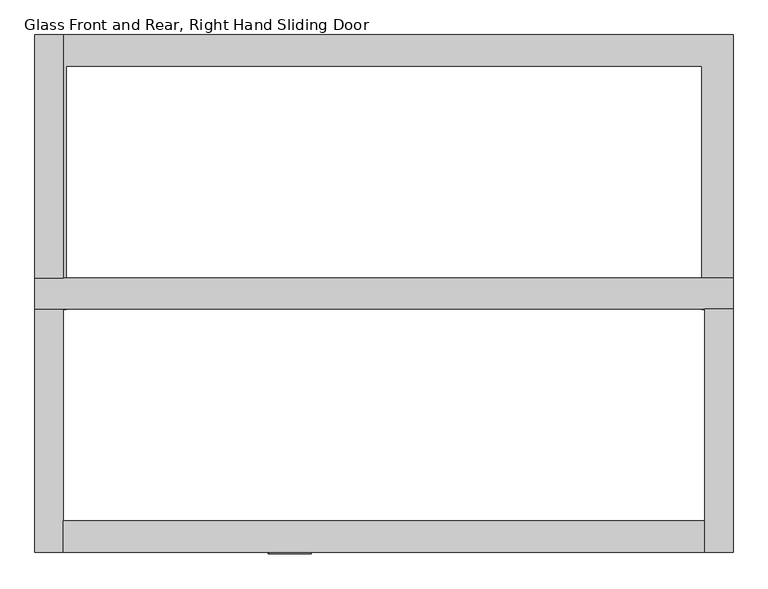
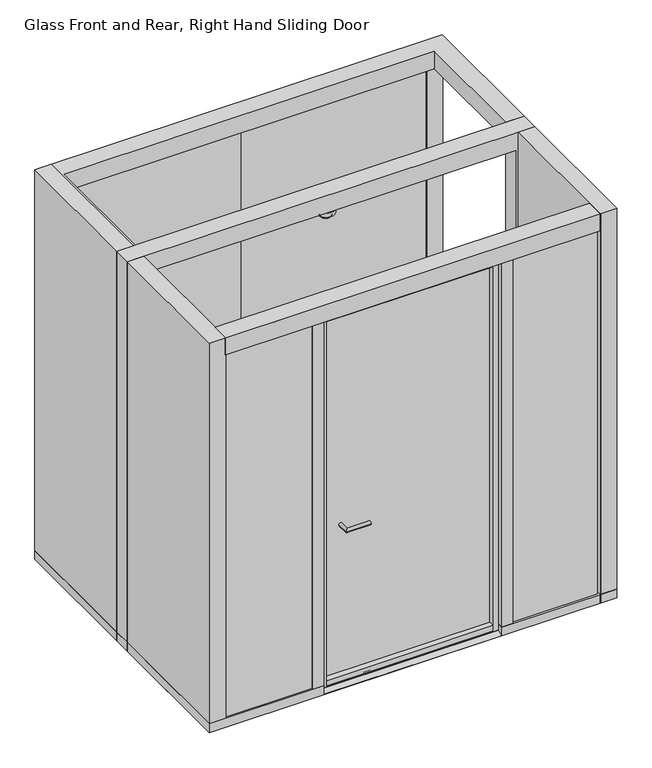
"""IFC4 building model written with IfcOpenShell, lengths in millimetres: furniture geometry, Glass Front and Rear, Right Hand Sliding Door."""

from ifc_helpers import new_model, si_unit, point, frame, frame_2d, origin, origin_with_axes, place, context, project, spatial, polyline, circle_curve, ellipse_curve, trimmed, segment, composite_curve, outline, extrude, source, transform, mapped, element, save
from ifc_brep_helpers import plane_surface, cylinder_surface, revolved_surface, advanced_brep


def glass_front_and_rear_right_hand_sliding_door_21750088(model_context):
    return source(origin(), model_context, "Body", "SolidModel", [
        advanced_brep(
        [(665.5023066, 77.3380769, 932.3309534), (665.5023066, 81.2712166, 932.3309534), (665.5023066, 81.2712166, 867.3764818), (665.5023066, 77.3380769, 867.3764818), (668.9795423, 85.464329, 928.8537177), (668.9795423, 85.464329, 870.8537175), (807.4221683, 81.2712166, 867.3764818), (807.4221683, 77.3380769, 867.3764818), (803.9449326, 85.464329, 870.8537175), (807.4221683, 81.2712166, 932.3309534), (807.4221683, 77.3380769, 932.3309534), (803.9449326, 85.464329, 928.8537177)],
        [
            (0, 1),
            (1, 2),
            (2, 3),
            (3, 0),
            (1, 4, ellipse_curve(frame((669.7691096, 81.2712166, 928.0641504), z_axis=(-0.7071067811865475, 0.0, -0.7071067811865475), x_axis=(-0.7071067811865474, 0.0, 0.7071067811865476)), 6.0341707, 4.266803)),
            (4, 5),
            (5, 2, ellipse_curve(frame((669.7691096, 81.2712166, 871.6432849), z_axis=(-0.7071067811865475, 0.0, 0.7071067811865475), x_axis=(0.7071067811865474, 0.0, 0.7071067811865476)), 6.0341707, 4.266803)),
            (2, 6),
            (6, 7),
            (7, 3),
            (5, 8),
            (8, 6, ellipse_curve(frame((803.1553652, 81.2712166, 871.6432849), z_axis=(-0.7071067811865475, 0.0, -0.7071067811865475), x_axis=(-0.7071067811865476, 0.0, 0.7071067811865474)), 6.0341707, 4.266803)),
            (6, 9),
            (9, 10),
            (10, 7),
            (8, 11),
            (11, 9, ellipse_curve(frame((803.1553652, 81.2712166, 928.0641504), z_axis=(0.7071067811865475, 0.0, -0.7071067811865475), x_axis=(-0.7071067811865474, 0.0, -0.7071067811865476)), 6.0341707, 4.266803)),
            (10, 0),
            (9, 1),
            (11, 4),
        ],
        [
            plane_surface(frame((665.5023066, 81.2712166, 932.3309534), z_axis=(-1.0, 0.0, 0.0), x_axis=(0.0, 0.0, -1.0))),
            cylinder_surface(frame((669.7691096, 81.2712166, 928.8537177), z_axis=(0.0, 0.0, 1.0), x_axis=(-1.0, 0.0, 0.0)), 4.266803),
            plane_surface(frame((665.5023066, 81.2712166, 867.3764818), z_axis=(0.0, 0.0, -1.0), x_axis=(1.0, 0.0, 0.0))),
            cylinder_surface(frame((668.9795423, 81.2712166, 871.6432849), z_axis=(-1.0, 0.0, 0.0), x_axis=(0.0, 0.0, -1.0)), 4.266803),
            plane_surface(frame((807.4221683, 81.2712166, 867.3764818), z_axis=(1.0, 0.0, 0.0), x_axis=(0.0, 0.0, 1.0))),
            cylinder_surface(frame((803.1553652, 81.2712166, 870.8537175), z_axis=(0.0, 0.0, -1.0), x_axis=(1.0, 0.0, 0.0)), 4.266803),
            plane_surface(frame((807.4221683, 77.3380769, 932.3309534), z_axis=(0.0, -1.0, 0.0), x_axis=(-1.0, 0.0, 0.0))),
            plane_surface(frame((807.4221683, 81.2712166, 932.3309534), z_axis=(0.0, 0.0, 1.0), x_axis=(-1.0, 0.0, 0.0))),
            cylinder_surface(frame((803.9449326, 81.2712166, 928.0641504), z_axis=(1.0, 0.0, 0.0), x_axis=(0.0, 0.0, 1.0)), 4.266803),
            plane_surface(frame((803.9449326, 85.464329, 928.8537177), z_axis=(0.0, 1.0, 0.0), x_axis=(0.0, 0.0, -1.0))),
        ],
        [
            (0, [[1, 2, 3, 4]]),
            (1, [[-2, 5, 6, 7]]),
            (2, [[-3, 8, 9, 10]]),
            (3, [[-7, 11, 12, -8]]),
            (4, [[-9, 13, 14, 15]]),
            (5, [[-12, 16, 17, -13]]),
            (6, [[-4, -10, -15, 18]]),
            (7, [[-1, -18, -14, 19]]),
            (8, [[-5, -19, -17, 20]]),
            (9, [[-6, -20, -16, -11]]),
        ],
    ),
        extrude(outline(polyline([(2235.0, 1650.0), (2235.0, 0.0), (1608.5, 0.0), (1608.5, 100.0), (2145.0, 100.0), (2145.0, 775.0), (2135.0, 775.0), (2135.0, 875.0), (2145.0, 875.0), (2145.0, 1550.0), (100.0, 1550.0), (100.0, 875.0), (110.0, 875.0), (110.0, 775.0), (100.0, 775.0), (100.0, 100.0), (110.0, 100.0), (636.5, 100.0), (636.5, 0.0), (10.0, 0.0), (10.0, 1650.0), (2235.0, 1650.0)])), origin_with_axes(), (0.0, 0.0, 1.0), 50.0),
        advanced_brep(
        [(753.9949204, 62.5786569, 900.0024691), (773.9949204, 62.5786569, 900.0024691), (753.9949204, -4.9276428, 900.0024691), (773.9949204, 15.0723572, 900.0024691), (891.4225632, -4.9276428, 900.0024691), (891.4225632, 15.0723572, 900.0024691)],
        [
            (0, 1, circle_curve(frame((763.9949204, 62.5786569, 900.0024691), z_axis=(0.0, 1.0, 0.0), x_axis=(1.0, 0.0, 0.0)), 10.0)),
            (1, 0, circle_curve(frame((763.9949204, 62.5786569, 900.0024691), z_axis=(0.0, 1.0, 0.0), x_axis=(1.0, 0.0, 0.0)), 10.0)),
            (0, 2),
            (2, 3, ellipse_curve(frame((763.9949204, 5.0723572, 900.0024691), z_axis=(-0.7071067811865475, 0.7071067811865475, 0.0), x_axis=(0.7071067811865474, 0.7071067811865476, 0.0)), 14.1421356, 10.0)),
            (3, 1),
            (3, 2, ellipse_curve(frame((763.9949204, 5.0723572, 900.0024691), z_axis=(-0.7071067811865475, 0.7071067811865475, 0.0), x_axis=(0.7071067811865474, 0.7071067811865476, 0.0)), 14.1421356, 10.0)),
            (4, 5, circle_curve(frame((891.4225632, 5.0723572, 900.0024691), z_axis=(1.0, 0.0, 0.0), x_axis=(0.0, 1.0, 0.0)), 10.0)),
            (5, 4, circle_curve(frame((891.4225632, 5.0723572, 900.0024691), z_axis=(1.0, 0.0, 0.0), x_axis=(0.0, 1.0, 0.0)), 10.0)),
            (2, 4),
            (5, 3),
        ],
        [
            plane_surface(frame((766.4225632, 62.5786569, 0.0), z_axis=(0.0, 1.0, 0.0), x_axis=(0.0, 0.0, 1.0))),
            cylinder_surface(frame((763.9949204, 62.5786569, 900.0024691), z_axis=(0.0, 1.0, 0.0), x_axis=(1.0, 0.0, 0.0)), 10.0),
            plane_surface(frame((891.4225632, 7.5, 0.0), z_axis=(1.0, 0.0, 0.0), x_axis=(0.0, 0.0, 1.0))),
            cylinder_surface(frame((766.4225632, 5.0723572, 900.0024691), z_axis=(-1.0, 0.0, 0.0), x_axis=(0.0, 1.0, 0.0)), 10.0),
        ],
        [
            (0, [[1, 2]]),
            (1, [[-1, 3, 4, 5]]),
            (1, [[-2, -5, 6, -3]]),
            (2, [[7, 8]]),
            (3, [[-4, 9, -8, 10]]),
            (3, [[-6, -10, -7, -9]]),
        ],
    ),
        extrude(outline(polyline([(638.4604299, 77.3380769), (638.4604299, 63.3384913), (636.5, 63.3384913), (636.5, 77.3380769), (638.4604299, 77.3380769)])), origin_with_axes(), (0.0, 0.0, 1.0), 2122.3693373),
        extrude(outline(polyline([(1606.5395701, 77.3380769), (1608.5, 77.3380769), (1608.5, 63.3384913), (1606.5395701, 63.3384913), (1606.5395701, 77.3380769)])), origin_with_axes(), (0.0, 0.0, 1.0), 2122.3693373),
        extrude(outline(polyline([(77.3380769, 15.0264102), (63.3384913, 15.0264102), (63.3384913, 16.8536969), (75.5880771, 16.8536969), (75.5880771, 40.3536982), (77.3380769, 40.3536982), (77.3380769, 15.0264102)])), frame((636.5, 0.0, 0.0), z_axis=(1.0, 0.0, 0.0), x_axis=(0.0, 1.0, 0.0)), (0.0, 0.0, 1.0), 970.0395701),
        extrude(outline(polyline([(665.5023066, 63.3384913), (665.5023066, 30.3384913), (636.5, 30.3384913), (636.5, 63.3384913), (665.5023066, 63.3384913)])), frame((0.0, 0.0, 15.0264102), z_axis=(0.0, 0.0, 1.0), x_axis=(1.0, 0.0, 0.0)), (0.0, 0.0, 1.0), 2136.8272586),
        extrude(outline(polyline([(1608.5, 63.3384913), (1608.5, 30.3384913), (1579.4976934, 30.3384913), (1579.4976934, 63.3384913), (1608.5, 63.3384913)])), frame((0.0, 0.0, 15.0264102), z_axis=(0.0, 0.0, 1.0), x_axis=(1.0, 0.0, 0.0)), (0.0, 0.0, 1.0), 2136.8272586),
        extrude(outline(polyline([(1579.4976934, 63.6289185), (1579.4976934, 33.3433145), (636.5, 33.3433145), (636.5, 63.6289185), (1579.4976934, 63.6289185)])), frame((0.0, 0.0, 2120.5156685), z_axis=(0.0, 0.0, 1.0), x_axis=(1.0, 0.0, 0.0)), (0.0, 0.0, 1.0), 29.4843315),
        extrude(outline(polyline([(1579.4976934, 62.5786569), (1579.4976934, 32.2930529), (636.5, 32.2930529), (636.5, 62.5786569), (1579.4976934, 62.5786569)])), frame((0.0, 0.0, 20.3248278), z_axis=(0.0, 0.0, 1.0), x_axis=(1.0, 0.0, 0.0)), (0.0, 0.0, 1.0), 29.4843315),
        extrude(outline(composite_curve([segment(polyline([(100.0, 0.8064693), (100.0, 0.0), (0.0, 0.0), (0.0, 0.8961995), (34.4457419, 10.8760157)]), True, "CONTINUOUS"), segment(trimmed(circle_curve(frame_2d((34.7320882, 6.633505)), 4.2521631), [point((34.4457419, 10.8760157))], [point((36.6452049, 10.4309878))], False, "CARTESIAN"), True, "CONTINUOUS"), segment(trimmed(circle_curve(frame_2d((44.8139158, 26.6456492)), 18.1560755), [point((36.6452049, 10.4309878))], [point((42.2319057, 8.6741077))], True, "CARTESIAN"), True, "CONTINUOUS"), segment(trimmed(circle_curve(frame_2d((42.662285, 11.6696733)), 3.0263245), [point((42.2319057, 8.6741077))], [point((45.0667138, 9.8319132))], True, "CARTESIAN"), True, "CONTINUOUS"), segment(trimmed(circle_curve(frame_2d((47.4501975, 8.0101619)), 2.999962), [point((45.0667138, 9.8319132))], [point((47.4501975, 11.0101239))], False, "CARTESIAN"), True, "CONTINUOUS"), segment(polyline([(47.4501975, 11.0101239), (52.4501975, 11.0101239)]), True, "CONTINUOUS"), segment(trimmed(circle_curve(frame_2d((52.4501975, 8.0101619)), 2.999962), [point((52.4501975, 11.0101239))], [point((54.8336811, 9.8319132))], False, "CARTESIAN"), True, "CONTINUOUS"), segment(trimmed(circle_curve(frame_2d((57.2381099, 11.6696733)), 3.0263245), [point((54.8336811, 9.8319132))], [point((57.6684892, 8.6741077))], True, "CARTESIAN"), True, "CONTINUOUS"), segment(trimmed(circle_curve(frame_2d((55.0864792, 26.6456492)), 18.1560755), [point((57.6684892, 8.6741077))], [point((63.25519, 10.4309878))], True, "CARTESIAN"), True, "CONTINUOUS"), segment(trimmed(circle_curve(frame_2d((65.1683067, 6.633505)), 4.2521631), [point((63.25519, 10.4309878))], [point((65.454653, 10.8760157))], False, "CARTESIAN"), True, "CONTINUOUS"), segment(polyline([(65.454653, 10.8760157), (100.0, 0.8064693)]), True, "CONTINUOUS")], self_intersect=False)), frame((636.5, 0.0, 0.0), z_axis=(1.0, 0.0, 0.0), x_axis=(0.0, 1.0, 0.0)), (0.0, 0.0, 1.0), 972.0),
        extrude(outline(polyline([(100.0, 20.0), (576.5, 20.0), (576.5, 10.0), (100.0, 10.0), (100.0, 20.0)])), frame((0.0, 0.0, 50.0), z_axis=(0.0, 0.0, 1.0), x_axis=(1.0, 0.0, 0.0)), (0.0, 0.0, 1.0), 2100.0),
        extrude(outline(polyline([(2135.0, 20.0), (2135.0, 10.0), (1668.5, 10.0), (1668.5, 20.0), (2135.0, 20.0)])), frame((0.0, 0.0, 50.0), z_axis=(0.0, 0.0, 1.0), x_axis=(1.0, 0.0, 0.0)), (0.0, 0.0, 1.0), 2100.0),
        extrude(outline(polyline([(1608.5, 77.3380769), (1608.5, 65.454653), (636.5, 65.454653), (636.5, 77.3380769), (1608.5, 77.3380769)])), frame((0.0, 0.0, 10.0), z_axis=(0.0, 0.0, 1.0), x_axis=(1.0, 0.0, 0.0)), (0.0, 0.0, 1.0), 2140.0),
        extrude(outline(polyline([(10.0, 875.0), (10.0, 1650.0), (100.0, 1650.0), (100.0, 875.0), (10.0, 875.0)])), origin_with_axes(), (0.0, 0.0, 1.0), 2250.0),
        extrude(outline(polyline([(2235.0, 775.0), (2235.0, 0.0), (2145.0, 0.0), (2145.0, 775.0), (2235.0, 775.0)])), origin_with_axes(), (0.0, 0.0, 1.0), 2250.0),
        extrude(outline(polyline([(2250.0, 10.0), (0.0, 10.0), (0.0, 110.0), (2150.0, 110.0), (2150.0, 2135.0), (50.0, 2135.0), (50.0, 2235.0), (2250.0, 2235.0), (2250.0, 10.0)])), frame((0.0, 775.0, 0.0), z_axis=(0.0, 1.0, 0.0), x_axis=(0.0, 0.0, 1.0)), (0.0, 0.0, 1.0), 100.0),
        extrude(outline(polyline([(100.0, 0.0), (100.0, 100.0), (2145.0, 100.0), (2145.0, 0.0), (100.0, 0.0)])), frame((0.0, 0.0, 2150.0), z_axis=(0.0, 0.0, 1.0), x_axis=(1.0, 0.0, 0.0)), (0.0, 0.0, 1.0), 100.0),
        extrude(outline(polyline([(2235.0, 1650.0), (2235.0, 875.0), (2135.0, 875.0), (2135.0, 1550.0), (110.0, 1550.0), (110.0, 875.0), (10.0, 875.0), (10.0, 1650.0), (2235.0, 1650.0)])), frame((0.0, 0.0, 2150.0), z_axis=(0.0, 0.0, 1.0), x_axis=(1.0, 0.0, 0.0)), (0.0, 0.0, 1.0), 100.0),
        extrude(outline(polyline([(10.0, 0.0), (10.0, 775.0), (100.0, 775.0), (100.0, 0.0), (10.0, 0.0)])), origin_with_axes(), (0.0, 0.0, 1.0), 2250.0),
        extrude(outline(polyline([(1122.0, 1640.0), (1122.0, 1630.0), (20.0, 1630.0), (20.0, 1640.0), (1122.0, 1640.0)])), frame((0.0, 0.0, 50.0), z_axis=(0.0, 0.0, 1.0), x_axis=(1.0, 0.0, 0.0)), (0.0, 0.0, 1.0), 2100.0),
        extrude(outline(polyline([(2135.0, 1640.0), (2135.0, 1630.0), (1123.0, 1630.0), (1123.0, 1640.0), (2135.0, 1640.0)])), frame((0.0, 0.0, 50.0), z_axis=(0.0, 0.0, 1.0), x_axis=(1.0, 0.0, 0.0)), (0.0, 0.0, 1.0), 2100.0),
        extrude(outline(polyline([(30.0, 1629.0), (30.0, 875.0), (20.0, 875.0), (20.0, 1629.0), (30.0, 1629.0)])), frame((0.0, 0.0, 50.0), z_axis=(0.0, 0.0, 1.0), x_axis=(1.0, 0.0, 0.0)), (0.0, 0.0, 1.0), 2100.0),
        extrude(outline(polyline([(12.5558066, 1650.0), (97.0, 1650.0), (97.0, 1640.0), (12.5558066, 1640.0), (12.5558066, 1650.0)])), origin_with_axes(), (0.0, 0.0, 1.0), 2247.0),
        extrude(outline(polyline([(2232.4441934, 0.0), (2148.0, 0.0), (2148.0, 6.4445465), (2232.4441934, 6.4445465), (2232.4441934, 0.0)])), origin_with_axes(), (0.0, 0.0, 1.0), 2247.0),
        extrude(outline(polyline([(97.0, 6.4445465), (2148.0, 6.4445465), (2148.0, 0.0), (97.0, 0.0), (97.0, 6.4445465)])), frame((0.0, 0.0, 2153.0), z_axis=(0.0, 0.0, 1.0), x_axis=(1.0, 0.0, 0.0)), (0.0, 0.0, 1.0), 94.0),
        extrude(outline(polyline([(2232.4441934, 1640.0), (2148.0, 1640.0), (2148.0, 1650.0), (2232.4441934, 1650.0), (2232.4441934, 1640.0)])), origin_with_axes(), (0.0, 0.0, 1.0), 2247.0),
        extrude(outline(polyline([(97.0, 0.0), (12.5558066, 0.0), (12.5558066, 6.4445465), (97.0, 6.4445465), (97.0, 0.0)])), origin_with_axes(), (0.0, 0.0, 1.0), 2247.0),
        extrude(outline(polyline([(97.0, 1640.0), (97.0, 1650.0), (2148.0, 1650.0), (2148.0, 1640.0), (97.0, 1640.0)])), frame((0.0, 0.0, 2153.0), z_axis=(0.0, 0.0, 1.0), x_axis=(1.0, 0.0, 0.0)), (0.0, 0.0, 1.0), 94.0),
        advanced_brep(
        [(1147.5, 825.0, 2150.0), (1097.5, 825.0, 2150.0), (1122.5, 825.0, 2150.0), (1147.5, 825.0, 2144.0), (1097.5, 825.0, 2144.0), (1172.5, 825.0, 2144.0), (1072.5, 825.0, 2144.0), (1170.3127834, 825.0, 2119.0), (1074.6872166, 825.0, 2119.0), (1159.2606475, 825.0, 2113.8463044), (1085.7393525, 825.0, 2113.8463044), (1155.3799038, 825.0, 2110.2896432), (1089.6200962, 825.0, 2110.2896432), (1149.5654829, 825.0, 2100.2147645), (1095.4345171, 825.0, 2100.2147645), (1140.5350417, 825.0, 2095.0), (1104.4649583, 825.0, 2095.0), (1122.5, 825.0, 2095.0)],
        [
            (0, 1, circle_curve(frame((1122.5, 825.0, 2150.0), z_axis=(0.0, 0.0, 1.0), x_axis=(-1.0, 0.0, 0.0)), 25.0)),
            (1, 2),
            (2, 0),
            (1, 0, circle_curve(frame((1122.5, 825.0, 2150.0), z_axis=(0.0, 0.0, 1.0), x_axis=(-1.0, 0.0, 0.0)), 25.0)),
            (3, 4, circle_curve(frame((1122.5, 825.0, 2144.0), z_axis=(0.0, 0.0, 1.0), x_axis=(-1.0, 0.0, 0.0)), 25.0)),
            (4, 1),
            (0, 3),
            (4, 3, circle_curve(frame((1122.5, 825.0, 2144.0), z_axis=(0.0, 0.0, 1.0), x_axis=(-1.0, 0.0, 0.0)), 25.0)),
            (5, 6, circle_curve(frame((1122.5, 825.0, 2144.0), z_axis=(0.0, 0.0, 1.0), x_axis=(-1.0, 0.0, 0.0)), 50.0)),
            (6, 4),
            (3, 5),
            (6, 5, circle_curve(frame((1122.5, 825.0, 2144.0), z_axis=(0.0, 0.0, 1.0), x_axis=(-1.0, 0.0, 0.0)), 50.0)),
            (7, 8, circle_curve(frame((1122.5, 825.0, 2119.0), z_axis=(0.0, 0.0, 1.0), x_axis=(-1.0, 0.0, 0.0)), 47.8127834)),
            (8, 6),
            (5, 7),
            (8, 7, circle_curve(frame((1122.5, 825.0, 2119.0), z_axis=(0.0, 0.0, 1.0), x_axis=(-1.0, 0.0, 0.0)), 47.8127834)),
            (9, 10, circle_curve(frame((1122.5, 825.0, 2113.8463044), z_axis=(0.0, 0.0, 1.0), x_axis=(-1.0, 0.0, 0.0)), 36.7606475)),
            (10, 8),
            (7, 9),
            (10, 9, circle_curve(frame((1122.5, 825.0, 2113.8463044), z_axis=(0.0, 0.0, 1.0), x_axis=(-1.0, 0.0, 0.0)), 36.7606475)),
            (11, 12, circle_curve(frame((1122.5, 825.0, 2110.2896432), z_axis=(0.0, 0.0, 1.0), x_axis=(-1.0, 0.0, 0.0)), 32.8799038)),
            (12, 10, circle_curve(frame((1082.0412732, 825.0, 2105.9157477), z_axis=(0.0, -1.0, 0.0), x_axis=(1.0, 0.0, 0.0)), 8.7504011)),
            (9, 11, circle_curve(frame((1162.9587268, 825.0, 2105.9157477), z_axis=(0.0, -1.0, 0.0), x_axis=(-1.0, 0.0, 0.0)), 8.7504011)),
            (12, 11, circle_curve(frame((1122.5, 825.0, 2110.2896432), z_axis=(0.0, 0.0, 1.0), x_axis=(-1.0, 0.0, 0.0)), 32.8799038)),
            (13, 14, circle_curve(frame((1122.5, 825.0, 2100.2147645), z_axis=(0.0, 0.0, 1.0), x_axis=(-1.0, 0.0, 0.0)), 27.0654829)),
            (14, 12),
            (11, 13),
            (14, 13, circle_curve(frame((1122.5, 825.0, 2100.2147645), z_axis=(0.0, 0.0, 1.0), x_axis=(-1.0, 0.0, 0.0)), 27.0654829)),
            (15, 16, circle_curve(frame((1122.5, 825.0, 2095.0), z_axis=(0.0, 0.0, 1.0), x_axis=(-1.0, 0.0, 0.0)), 18.0350417)),
            (16, 14, circle_curve(frame((1104.4649583, 825.0, 2105.4264189), z_axis=(0.0, 1.0, 0.0), x_axis=(1.0, 0.0, 0.0)), 10.4264189)),
            (13, 15, circle_curve(frame((1140.5350417, 825.0, 2105.4264189), z_axis=(0.0, 1.0, 0.0), x_axis=(-1.0, 0.0, 0.0)), 10.4264189)),
            (16, 15, circle_curve(frame((1122.5, 825.0, 2095.0), z_axis=(0.0, 0.0, 1.0), x_axis=(-1.0, 0.0, 0.0)), 18.0350417)),
            (17, 16),
            (15, 17),
        ],
        [
            plane_surface(frame((1122.5, 825.0, 2150.0), z_axis=(0.0, 0.0, 1.0), x_axis=(-1.0, 0.0, 0.0))),
            cylinder_surface(frame((1122.5, 825.0, 2150.0), z_axis=(0.0, 0.0, -1.0), x_axis=(-1.0, 0.0, 0.0)), 25.0),
            plane_surface(frame((1122.5, 825.0, 2144.0), z_axis=(0.0, 0.0, 1.0), x_axis=(-1.0, 0.0, 0.0))),
            revolved_surface(polyline([(1072.5, 825.0, 2144.0), (1074.6872166, 825.0, 2119.0)]), (1122.5, 825.0, 2150.0), (0.0, 0.0, -1.0)),
            revolved_surface(polyline([(1074.6872166, 825.0, 2119.0), (1085.7393525, 825.0, 2113.8463044)]), (1122.5, 825.0, 2150.0), (0.0, 0.0, -1.0)),
            revolved_surface(trimmed(ellipse_curve(frame((1082.0412732, 825.0, 2105.9157477), z_axis=(0.0, 1.0, 0.0), x_axis=(1.0, 0.0, 0.0)), 8.7504011, 8.7504011), [point((1085.7393525, 825.0, 2113.8463044))], [point((1089.6200962, 825.0, 2110.2896432))], True, "CARTESIAN"), (1122.5, 825.0, 2150.0), (0.0, 0.0, -1.0)),
            revolved_surface(polyline([(1089.6200962, 825.0, 2110.2896432), (1095.4345171, 825.0, 2100.2147645)]), (1122.5, 825.0, 2150.0), (0.0, 0.0, -1.0)),
            revolved_surface(trimmed(ellipse_curve(frame((1104.4649583, 825.0, 2105.4264189), z_axis=(0.0, -1.0, 0.0), x_axis=(1.0, 0.0, 0.0)), 10.4264189, 10.4264189), [point((1095.4345171, 825.0, 2100.2147645))], [point((1104.4649583, 825.0, 2095.0))], True, "CARTESIAN"), (1122.5, 825.0, 2150.0), (0.0, 0.0, -1.0)),
            plane_surface(frame((1122.5, 825.0, 2095.0), z_axis=(0.0, 0.0, -1.0), x_axis=(-1.0, 0.0, 0.0))),
        ],
        [
            (0, [[1, 2, 3]]),
            (0, [[4, -3, -2]]),
            (1, [[5, 6, -1, 7]]),
            (1, [[8, -7, -4, -6]]),
            (2, [[9, 10, -5, 11]]),
            (2, [[12, -11, -8, -10]]),
            (3, [[13, 14, -9, 15]]),
            (3, [[16, -15, -12, -14]]),
            (4, [[17, 18, -13, 19]]),
            (4, [[20, -19, -16, -18]]),
            (5, [[21, 22, -17, 23]]),
            (5, [[24, -23, -20, -22]]),
            (6, [[25, 26, -21, 27]]),
            (6, [[28, -27, -24, -26]]),
            (7, [[29, 30, -25, 31]]),
            (7, [[32, -31, -28, -30]]),
            (8, [[33, -29, 34]]),
            (8, [[-34, -32, -33]]),
        ],
    ),
        extrude(outline(polyline([(552.5, 842.5), (552.5, 807.5), (517.5, 807.5), (517.5, 842.5), (552.5, 842.5)])), frame((0.0, 0.0, 2148.7495743), z_axis=(0.0, 0.0, 1.0), x_axis=(1.0, 0.0, 0.0)), (0.0, 0.0, 1.0), 4.2504257),
        extrude(outline(polyline([(592.5, 842.5), (592.5, 807.5), (557.5, 807.5), (557.5, 842.5), (592.5, 842.5)])), frame((0.0, 0.0, 2148.7495743), z_axis=(0.0, 0.0, 1.0), x_axis=(1.0, 0.0, 0.0)), (0.0, 0.0, 1.0), 4.2504257),
        extrude(outline(polyline([(632.5, 842.5), (632.5, 807.5), (597.5, 807.5), (597.5, 842.5), (632.5, 842.5)])), frame((0.0, 0.0, 2148.7495743), z_axis=(0.0, 0.0, 1.0), x_axis=(1.0, 0.0, 0.0)), (0.0, 0.0, 1.0), 4.2504257),
        extrude(outline(polyline([(672.5, 842.5), (672.5, 807.5), (637.5, 807.5), (637.5, 842.5), (672.5, 842.5)])), frame((0.0, 0.0, 2148.7495743), z_axis=(0.0, 0.0, 1.0), x_axis=(1.0, 0.0, 0.0)), (0.0, 0.0, 1.0), 4.2504257),
        extrude(outline(polyline([(1607.5, 842.5), (1607.5, 807.5), (1572.5, 807.5), (1572.5, 842.5), (1607.5, 842.5)])), frame((0.0, 0.0, 2148.7495743), z_axis=(0.0, 0.0, 1.0), x_axis=(1.0, 0.0, 0.0)), (0.0, 0.0, 1.0), 4.2504257),
        extrude(outline(polyline([(1647.5, 842.5), (1647.5, 807.5), (1612.5, 807.5), (1612.5, 842.5), (1647.5, 842.5)])), frame((0.0, 0.0, 2148.7495743), z_axis=(0.0, 0.0, 1.0), x_axis=(1.0, 0.0, 0.0)), (0.0, 0.0, 1.0), 4.2504257),
        extrude(outline(polyline([(1687.5, 842.5), (1687.5, 807.5), (1652.5, 807.5), (1652.5, 842.5), (1687.5, 842.5)])), frame((0.0, 0.0, 2148.7495743), z_axis=(0.0, 0.0, 1.0), x_axis=(1.0, 0.0, 0.0)), (0.0, 0.0, 1.0), 4.2504257),
        extrude(outline(polyline([(1727.5, 842.5), (1727.5, 807.5), (1692.5, 807.5), (1692.5, 842.5), (1727.5, 842.5)])), frame((0.0, 0.0, 2148.7495743), z_axis=(0.0, 0.0, 1.0), x_axis=(1.0, 0.0, 0.0)), (0.0, 0.0, 1.0), 4.2504257),
        extrude(outline(polyline([(636.5, 100.0), (636.5, 0.0), (576.5, 0.0), (576.5, 100.0), (636.5, 100.0)])), frame((0.0, 0.0, 50.0), z_axis=(0.0, 0.0, 1.0), x_axis=(1.0, 0.0, 0.0)), (0.0, 0.0, 1.0), 2103.0),
        extrude(outline(polyline([(1608.5, 100.0), (1668.5, 100.0), (1668.5, 0.0), (1608.5, 0.0), (1608.5, 100.0)])), frame((0.0, 0.0, 50.0), z_axis=(0.0, 0.0, 1.0), x_axis=(1.0, 0.0, 0.0)), (0.0, 0.0, 1.0), 2103.0),
    ])


if __name__ == "__main__":
    model = new_model("IFC4")
    model_context = context("Model", 3, world=origin())
    ifc_project = project(units=[si_unit("LENGTHUNIT", "METRE", prefix="MILLI")], contexts=[model_context])
    site = spatial("IfcSite", under=ifc_project)
    building = spatial("IfcBuilding", under=site)
    placement = place(None, origin())
    glass_front_and_rear_right_hand_sliding_door_shape = glass_front_and_rear_right_hand_sliding_door_21750088(model_context)
    element("IfcFurniture", 1, ObjectType="Glass Front and Rear, Right Hand Sliding Door", at=placement, inside=building, context=model_context, shape_type="MappedRepresentation", body=[
        mapped(glass_front_and_rear_right_hand_sliding_door_shape, transform((0.0, 0.0, 0.0), x_axis=(1.0, 0.0, 0.0), y_axis=(0.0, 1.0, 0.0), z_axis=(0.0, 0.0, 1.0))),
    ])
    save(model, "model.ifc")
